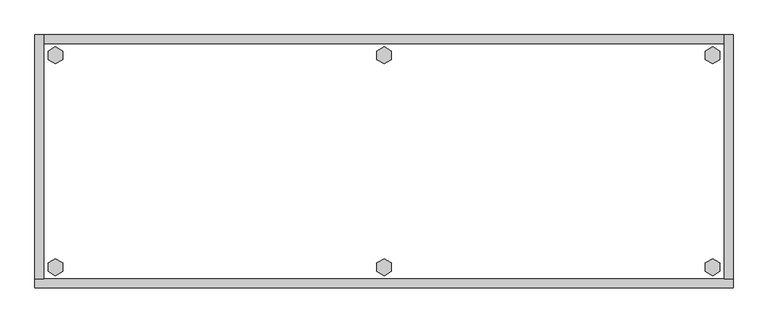
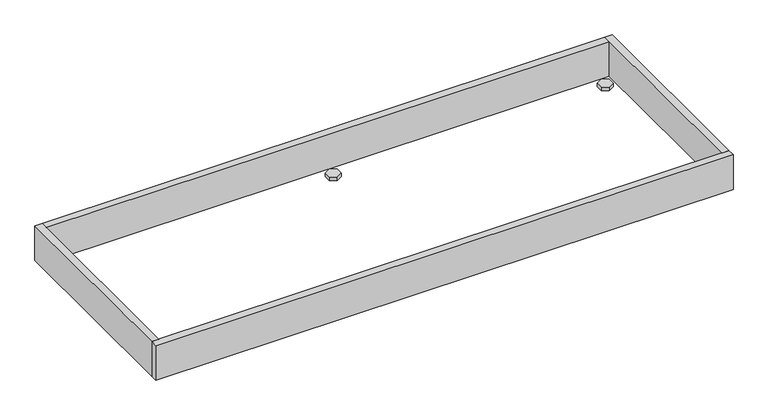
"""IFC4 building model written with IfcOpenShell, lengths in millimetres: furniture geometry."""

from ifc_helpers import new_model, si_unit, frame, origin, origin_with_axes, place, context, project, spatial, polyline, outline, extrude, source, transform, mapped, element, save


def furniture_61016704(model_context):
    return source(origin(), model_context, "Body", "SweptSolid", [
        extrude(outline(polyline([(1463.3735422, -498.8179), (1479.3214, -489.6104), (1495.2692578, -498.8179), (1495.2692578, -517.2329), (1479.3214, -526.4404), (1463.3735422, -517.2329), (1463.3735422, -498.8179)])), origin_with_axes(), (0.0, 0.0, 1.0), 9.144),
        extrude(outline(polyline([(1463.3735422, -35.4711), (1479.3214, -26.2636), (1495.2692578, -35.4711), (1495.2692578, -53.8861), (1479.3214, -63.0936), (1463.3735422, -53.8861), (1463.3735422, -35.4711)])), origin_with_axes(), (0.0, 0.0, 1.0), 9.144),
        extrude(outline(polyline([(746.0521422, -498.8179), (762.0, -489.6104), (777.9478578, -498.8179), (777.9478578, -517.2329), (762.0, -526.4404), (746.0521422, -517.2329), (746.0521422, -498.8179)])), origin_with_axes(), (0.0, 0.0, 1.0), 9.144),
        extrude(outline(polyline([(746.0521422, -35.4711), (762.0, -26.2636), (777.9478578, -35.4711), (777.9478578, -53.8861), (762.0, -63.0936), (746.0521422, -53.8861), (746.0521422, -35.4711)])), origin_with_axes(), (0.0, 0.0, 1.0), 9.144),
        extrude(outline(polyline([(28.7307422, -498.8179), (44.6786, -489.6104), (60.6264578, -498.8179), (60.6264578, -517.2329), (44.6786, -526.4404), (28.7307422, -517.2329), (28.7307422, -498.8179)])), origin_with_axes(), (0.0, 0.0, 1.0), 9.144),
        extrude(outline(polyline([(28.7307422, -35.4711), (44.6786, -26.2636), (60.6264578, -35.4711), (60.6264578, -53.8861), (44.6786, -63.0936), (28.7307422, -53.8861), (28.7307422, -35.4711)])), origin_with_axes(), (0.0, 0.0, 1.0), 9.144),
        extrude(outline(polyline([(19.304, 0.0), (19.304, -533.4), (0.0, -533.4), (0.0, 0.0), (19.304, 0.0)])), frame((0.0, 0.0, 4.699), z_axis=(0.0, 0.0, 1.0), x_axis=(1.0, 0.0, 0.0)), (0.0, 0.0, 1.0), 96.901),
        extrude(outline(polyline([(1524.0, 0.0), (1524.0, -533.4), (1504.696, -533.4), (1504.696, 0.0), (1524.0, 0.0)])), frame((0.0, 0.0, 4.699), z_axis=(0.0, 0.0, 1.0), x_axis=(1.0, 0.0, 0.0)), (0.0, 0.0, 1.0), 96.901),
        extrude(outline(polyline([(1504.696, -19.304), (19.304, -19.304), (19.304, 0.0), (1504.696, 0.0), (1504.696, -19.304)])), frame((0.0, 0.0, 4.699), z_axis=(0.0, 0.0, 1.0), x_axis=(1.0, 0.0, 0.0)), (0.0, 0.0, 1.0), 96.901),
        extrude(outline(polyline([(1524.0, -533.4), (1524.0, -552.704), (0.0, -552.704), (0.0, -533.4), (1524.0, -533.4)])), frame((0.0, 0.0, 4.699), z_axis=(0.0, 0.0, 1.0), x_axis=(1.0, 0.0, 0.0)), (0.0, 0.0, 1.0), 96.901),
    ])


if __name__ == "__main__":
    model = new_model("IFC4")
    model_context = context("Model", 3, world=origin())
    ifc_project = project(units=[si_unit("LENGTHUNIT", "METRE", prefix="MILLI")], contexts=[model_context])
    site = spatial("IfcSite", under=ifc_project)
    building = spatial("IfcBuilding", under=site)
    placement = place(None, origin())
    furniture_shape = furniture_61016704(model_context)
    element("IfcFurniture", 1, at=placement, inside=building, context=model_context, shape_type="MappedRepresentation", body=[
        mapped(furniture_shape, transform((0.0, 0.0, 0.0), x_axis=(1.0, 0.0, 0.0), y_axis=(0.0, 1.0, 0.0), z_axis=(0.0, 0.0, 1.0))),
    ])
    save(model, "model.ifc")
